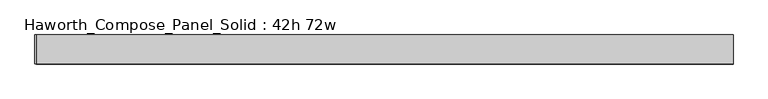
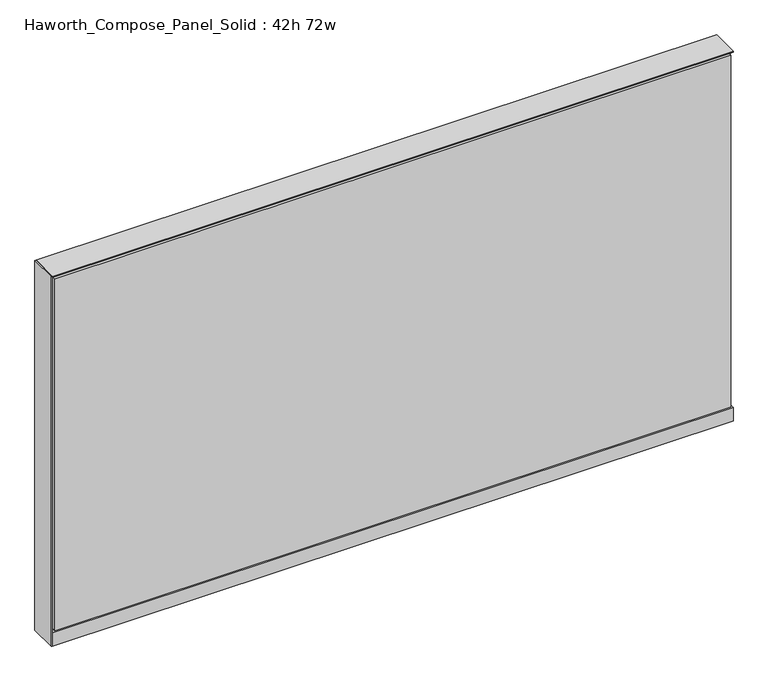
"""IFC4 building model written with IfcOpenShell, lengths in millimetres: furniture geometry, Haworth_Compose_Panel_Solid : 42h 72w."""

from ifc_helpers import new_model, si_unit, point, frame, frame_2d, origin, origin_with_axes, place, context, project, spatial, polyline, circle_curve, trimmed, segment, composite_curve, outline, extrude, source, transform, mapped, element, save


def haworth_compose_panel_solid_42h_72w_be57b28c(model_context):
    return source(origin(), model_context, "Body", "SweptSolid", [
        extrude(outline(composite_curve([segment(trimmed(circle_curve(frame_2d((-835.7597098, 0.0)), 12.7), [point((-848.4597098, 0.0))], [point((-823.0597098, 0.0))], False, "CARTESIAN"), True, "CONTINUOUS"), segment(trimmed(circle_curve(frame_2d((-835.7597098, 0.0)), 12.7), [point((-823.0597098, 0.0))], [point((-848.4597098, 0.0))], False, "CARTESIAN"), True, "CONTINUOUS")], self_intersect=False)), origin_with_axes(), (0.0, 0.0, 1.0), 12.7),
        extrude(outline(composite_curve([segment(trimmed(circle_curve(frame_2d((840.6402902, 0.0)), 12.7), [point((827.9402902, 0.0))], [point((853.3402902, 0.0))], False, "CARTESIAN"), True, "CONTINUOUS"), segment(trimmed(circle_curve(frame_2d((840.6402902, 0.0)), 12.7), [point((853.3402902, 0.0))], [point((827.9402902, 0.0))], False, "CARTESIAN"), True, "CONTINUOUS")], self_intersect=False)), origin_with_axes(), (0.0, 0.0, 1.0), 12.7),
        extrude(outline(polyline([(-915.1347098, 38.1), (-911.9597098, 38.1), (-911.9597098, -38.1), (-915.1347098, -38.1), (-915.1347098, 38.1)])), frame((0.0, 0.0, 12.7), z_axis=(0.0, 0.0, 1.0), x_axis=(1.0, 0.0, 0.0)), (0.0, 0.0, 1.0), 1050.925),
        extrude(outline(polyline([(910.4902902, 38.1), (910.4902902, 25.4), (-905.6097098, 25.4), (-905.6097098, 38.1), (910.4902902, 38.1)])), frame((0.0, 0.0, 53.975), z_axis=(0.0, 0.0, 1.0), x_axis=(1.0, 0.0, 0.0)), (0.0, 0.0, 1.0), 1000.125),
        extrude(outline(polyline([(910.4902902, -38.1), (-905.6097098, -38.1), (-905.6097098, -25.4), (910.4902902, -25.4), (910.4902902, -38.1)])), frame((0.0, 0.0, 53.975), z_axis=(0.0, 0.0, 1.0), x_axis=(1.0, 0.0, 0.0)), (0.0, 0.0, 1.0), 1000.125),
        extrude(outline(polyline([(916.8402902, 25.4), (916.8402902, -25.4), (-911.9597098, -25.4), (-911.9597098, 25.4), (916.8402902, 25.4)])), frame((0.0, 0.0, 12.7), z_axis=(0.0, 0.0, 1.0), x_axis=(1.0, 0.0, 0.0)), (0.0, 0.0, 1.0), 1047.75),
        extrude(outline(polyline([(-911.9597098, -38.1), (-911.9597098, 38.1), (916.8402902, 38.1), (916.8402902, -38.1), (-911.9597098, -38.1)])), frame((0.0, 0.0, 12.7), z_axis=(0.0, 0.0, 1.0), x_axis=(1.0, 0.0, 0.0)), (0.0, 0.0, 1.0), 38.1),
        extrude(outline(polyline([(-911.9597098, -38.1), (-911.9597098, 38.1), (916.8402902, 38.1), (916.8402902, -38.1), (-911.9597098, -38.1)])), frame((0.0, 0.0, 1060.45), z_axis=(0.0, 0.0, 1.0), x_axis=(1.0, 0.0, 0.0)), (0.0, 0.0, 1.0), 3.175),
    ])


if __name__ == "__main__":
    model = new_model("IFC4")
    model_context = context("Model", 3, world=origin())
    ifc_project = project(units=[si_unit("LENGTHUNIT", "METRE", prefix="MILLI")], contexts=[model_context])
    site = spatial("IfcSite", under=ifc_project)
    building = spatial("IfcBuilding", under=site)
    placement = place(None, origin())
    haworth_compose_panel_solid_42h_72w_shape = haworth_compose_panel_solid_42h_72w_be57b28c(model_context)
    element("IfcFurniture", 1, ObjectType="Haworth_Compose_Panel_Solid : 42h 72w", at=placement, inside=building, context=model_context, shape_type="MappedRepresentation", body=[
        mapped(haworth_compose_panel_solid_42h_72w_shape, transform((0.0, 0.0, 0.0), x_axis=(1.0, 0.0, 0.0), y_axis=(0.0, 1.0, 0.0), z_axis=(0.0, 0.0, 1.0))),
    ])
    save(model, "model.ifc")
